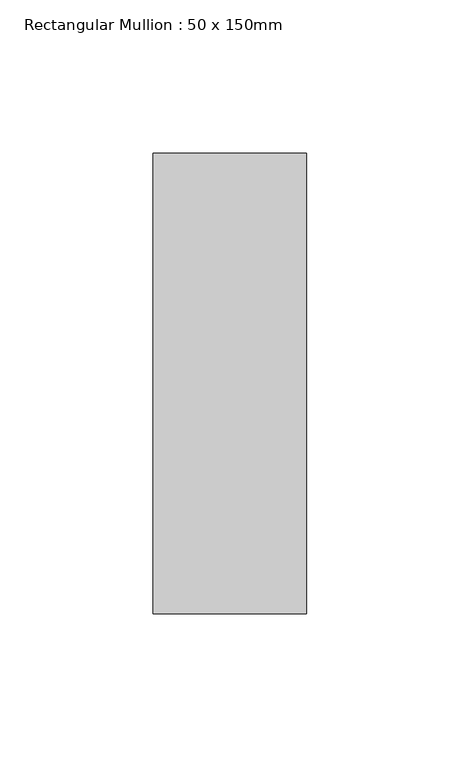
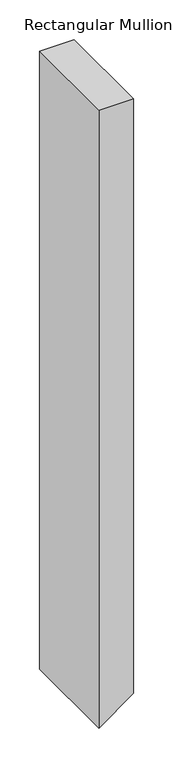
"""IFC4 building model written with IfcOpenShell, lengths in millimetres: member geometry, Rectangular Mullion : 50 x 150mm."""

import ifcopenshell
import ifcopenshell.guid

model = None  # the IFC model being written
_history = None  # IfcOwnerHistory: only IFC2X3 demands one
_inside = {}  # id of a spatial element -> (the spatial element, [elements in it])
_under = {}  # id of a project, library or spatial element -> (it, [spatial elements below it])
_declared = {}  # id of a project -> (the project, [libraries it declares])
_typed = {}  # id of a type object -> (the type object, [elements of that type])
_made_of = {}  # id of a material, layer set ... -> (it, [elements and type objects made of it])


def new_model(schema):
    """Start an empty IFC model of exactly this schema.

    Asked for "IFC4X3", IfcOpenShell would pick the latest addendum, in which some entities
    have other attributes; the version numbers below select the first issue.
    IFC2X3 requires an IfcOwnerHistory on every rooted entity: one is made here for all.
    """
    global model, _history
    if schema == "IFC4X3":
        model = ifcopenshell.file(schema_version=(4, 3, 0, 0))
    else:
        model = ifcopenshell.file(schema=schema)
    _inside.clear()
    _under.clear()
    _declared.clear()
    _typed.clear()
    _made_of.clear()
    _history = None
    if model.schema == "IFC2X3":
        org = make("IfcOrganization", Name="unknown")
        user = make(
            "IfcPersonAndOrganization",
            ThePerson=make("IfcPerson", FamilyName="unknown"),
            TheOrganization=org,
        )
        app = make(
            "IfcApplication",
            ApplicationDeveloper=org,
            Version="unknown",
            ApplicationFullName="unknown",
            ApplicationIdentifier="unknown",
        )
        _history = make(
            "IfcOwnerHistory",
            OwningUser=user,
            OwningApplication=app,
            ChangeAction="ADDED",
            CreationDate=0,
        )
    return model


def make(cls, **values):
    """One entity of the class cls with the attributes given. An attribute that is None is left unset."""
    return model.create_entity(
        cls, **{name: value for name, value in values.items() if value is not None}
    )


def rooted(cls, **values):
    """An entity with a GlobalId (a new one), such as an element, a storey or a relation."""
    return make(cls, GlobalId=ifcopenshell.guid.new(), OwnerHistory=_history, **values)


def si_unit(unit_type, name, prefix=None):
    """IfcSIUnit, for example si_unit("LENGTHUNIT", "METRE", prefix="MILLI")."""
    return make("IfcSIUnit", UnitType=unit_type, Prefix=prefix, Name=name)


def assignment(units):
    """IfcUnitAssignment: the units of a project."""
    return None if units is None else make("IfcUnitAssignment", Units=units)


def point(xyz):
    """IfcCartesianPoint."""
    return None if xyz is None else make("IfcCartesianPoint", Coordinates=xyz)


def direction(xyz):
    """IfcDirection."""
    return None if xyz is None else make("IfcDirection", DirectionRatios=xyz)


def frame(location, z_axis=None, x_axis=None):
    """IfcAxis2Placement3D, a coordinate frame: its origin and axes. An axis left out is left unset."""
    return make(
        "IfcAxis2Placement3D",
        Location=point(location),
        Axis=direction(z_axis),
        RefDirection=direction(x_axis),
    )


def origin():
    """The frame at (0, 0, 0) with its axes left unset."""
    return frame((0.0, 0.0, 0.0))


def place(relative_to, where):
    """IfcLocalPlacement: puts the frame where relative to a parent placement (None: the world)."""
    return make(
        "IfcLocalPlacement", PlacementRelTo=relative_to, RelativePlacement=where
    )


def context(
    kind, dimensions, precision=None, world=None, true_north=None, identifier=None
):
    """IfcGeometricRepresentationContext, for example the 3D "Model" context."""
    return make(
        "IfcGeometricRepresentationContext",
        ContextIdentifier=identifier,
        ContextType=kind,
        CoordinateSpaceDimension=dimensions,
        Precision=precision,
        WorldCoordinateSystem=world,
        TrueNorth=true_north,
    )


def project(units=None, contexts=None):
    """IfcProject with its units and contexts."""
    return rooted(
        "IfcProject",
        Name="project",
        RepresentationContexts=contexts,
        UnitsInContext=assignment(units),
    )


def spatial(cls, under=None, at=None, **own):
    """A site, building, storey or space (cls), placed at a placement, below another one or the project."""
    s = rooted(cls, ObjectPlacement=at, **own)
    if under is not None:
        _under.setdefault(under.id(), (under, []))[1].append(s)
    return s


def polyline(points):
    """IfcPolyline through the points."""
    return make("IfcPolyline", Points=[point(p) for p in points])


def outline(outer, holes=None, kind="AREA"):
    """IfcArbitraryClosedProfileDef: a profile drawn as a closed curve; with holes, ...WithVoids."""
    if holes is None:
        return make("IfcArbitraryClosedProfileDef", ProfileType=kind, OuterCurve=outer)
    return make(
        "IfcArbitraryProfileDefWithVoids",
        ProfileType=kind,
        OuterCurve=outer,
        InnerCurves=holes,
    )


def extrude(swept, where, along, depth):
    """IfcExtrudedAreaSolid: the profile swept, set in the frame where, extruded along a direction by depth."""
    return make(
        "IfcExtrudedAreaSolid",
        SweptArea=swept,
        Position=where,
        ExtrudedDirection=direction(along),
        Depth=depth,
    )


def shape(context_of_items, identifier, shape_type, items):
    """IfcShapeRepresentation: the items that make up one representation, for example the "Body"."""
    return make(
        "IfcShapeRepresentation",
        ContextOfItems=context_of_items,
        RepresentationIdentifier=identifier,
        RepresentationType=shape_type,
        Items=items,
    )


def source(mapping_origin, context_of_items, identifier, shape_type, items):
    """IfcRepresentationMap: a shape defined once, which mapped items show again and again."""
    return make(
        "IfcRepresentationMap",
        MappingOrigin=mapping_origin,
        MappedRepresentation=shape(context_of_items, identifier, shape_type, items),
    )


def transform(
    local_origin,
    x_axis=None,
    y_axis=None,
    z_axis=None,
    scale=None,
    scale2=None,
    scale3=None,
    uniform=True,
):
    """IfcCartesianTransformationOperator3D, or its non-uniform kind. x_axis, y_axis, z_axis: its Axis1, 2, 3."""
    if uniform:
        return make(
            "IfcCartesianTransformationOperator3D",
            Axis1=direction(x_axis),
            Axis2=direction(y_axis),
            LocalOrigin=point(local_origin),
            Scale=scale,
            Axis3=direction(z_axis),
        )
    return make(
        "IfcCartesianTransformationOperator3DnonUniform",
        Axis1=direction(x_axis),
        Axis2=direction(y_axis),
        LocalOrigin=point(local_origin),
        Scale=scale,
        Axis3=direction(z_axis),
        Scale2=scale2,
        Scale3=scale3,
    )


def mapped(mapping_source, mapping_target):
    """IfcMappedItem: shows the shape of a source again, moved by a transform."""
    return make(
        "IfcMappedItem", MappingSource=mapping_source, MappingTarget=mapping_target
    )


def made_of(thing, what):
    """Note that an element or type object is made of a material, layer set ...; save() writes the relation."""
    if what is not None:
        _made_of.setdefault(what.id(), (what, []))[1].append(thing)
    return thing


def element(
    cls,
    number,
    at=None,
    inside=None,
    cuts=None,
    type_object=None,
    material=None,
    context=None,
    identifier="Body",
    shape_type=None,
    held_by="IfcProductDefinitionShape",
    body=None,
    shapes=None,
    **own,
):
    """One element of the class cls, such as IfcWall. Its Tag is "e" and its number.

    at: its placement. inside: the storey or other place that contains it. cuts: it is an
    opening in that element (IfcRelVoidsElement). A single representation is given by context,
    identifier, shape_type and body (its items); several are given by shapes. held_by: the class
    of the entity that holds the representations. save() writes the other relations.
    """
    e = rooted(cls, Tag="e%d" % number, ObjectPlacement=at, **own)
    if body is not None:
        shapes = [shape(context, identifier, shape_type, body)]
    if shapes is not None:
        e.Representation = make(held_by, Representations=shapes)
    if inside is not None:
        _inside.setdefault(inside.id(), (inside, []))[1].append(e)
    if cuts is not None:
        rooted(
            "IfcRelVoidsElement", RelatingBuildingElement=cuts, RelatedOpeningElement=e
        )
    if type_object is not None:
        _typed.setdefault(type_object.id(), (type_object, []))[1].append(e)
    return made_of(e, material)


def aggregate(whole, parts):
    """IfcRelAggregates: a whole, such as a stair, and the parts it consists of."""
    return rooted("IfcRelAggregates", RelatingObject=whole, RelatedObjects=parts)


def save(model, path):
    """Write the relations noted so far, then the file.

    IfcRelAggregates (storeys below a building ...), IfcRelContainedInSpatialStructure (elements
    in a storey), IfcRelDefinesByType, IfcRelAssociatesMaterial and IfcRelDeclares: one each for
    every whole, place, type object, material and project.
    """
    for whole, parts in _under.values():
        aggregate(whole, parts)
    for where, things in _inside.values():
        rooted(
            "IfcRelContainedInSpatialStructure",
            RelatedElements=things,
            RelatingStructure=where,
        )
    for kind, things in _typed.values():
        rooted("IfcRelDefinesByType", RelatedObjects=things, RelatingType=kind)
    for what, things in _made_of.values():
        rooted("IfcRelAssociatesMaterial", RelatedObjects=things, RelatingMaterial=what)
    for by, libraries in _declared.values():
        rooted("IfcRelDeclares", RelatingContext=by, RelatedDefinitions=libraries)
    model.write(path)


def rectangular_mullion_50_x_150mm_d09d3708(model_context):
    return source(origin(), model_context, "Body", "SweptSolid", [
        extrude(outline(polyline([(0.0, 25.0), (0.0, -25.0), (-950.8851616, -25.0), (-914.1188601, 25.0), (0.0, 25.0)])), frame((0.0, -75.0, 0.0), z_axis=(0.0, 1.0, 0.0), x_axis=(0.0, 0.0, 1.0)), (0.0, 0.0, 1.0), 150.0),
    ])


if __name__ == "__main__":
    model = new_model("IFC4")
    model_context = context("Model", 3, world=origin())
    ifc_project = project(units=[si_unit("LENGTHUNIT", "METRE", prefix="MILLI")], contexts=[model_context])
    site = spatial("IfcSite", under=ifc_project)
    building = spatial("IfcBuilding", under=site)
    placement = place(None, origin())
    rectangular_mullion_50_x_150mm_shape = rectangular_mullion_50_x_150mm_d09d3708(model_context)
    element("IfcMember", 1, ObjectType="Rectangular Mullion : 50 x 150mm", at=placement, inside=building, context=model_context, shape_type="MappedRepresentation", body=[
        mapped(rectangular_mullion_50_x_150mm_shape, transform((0.0, 0.0, 0.0), x_axis=(1.0, 0.0, 0.0), y_axis=(0.0, 1.0, 0.0), z_axis=(0.0, 0.0, 1.0))),
    ])
    save(model, "model.ifc")
